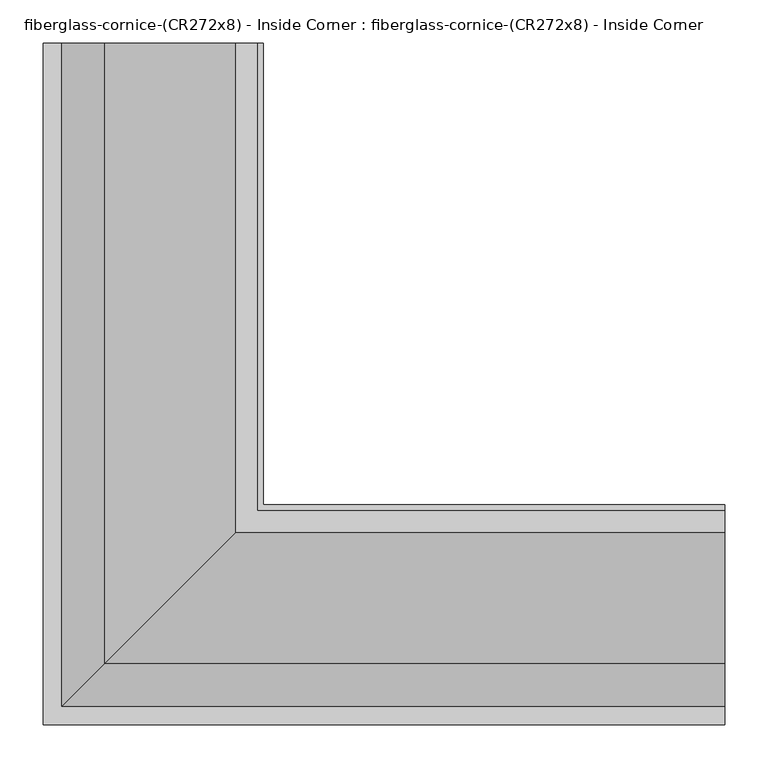
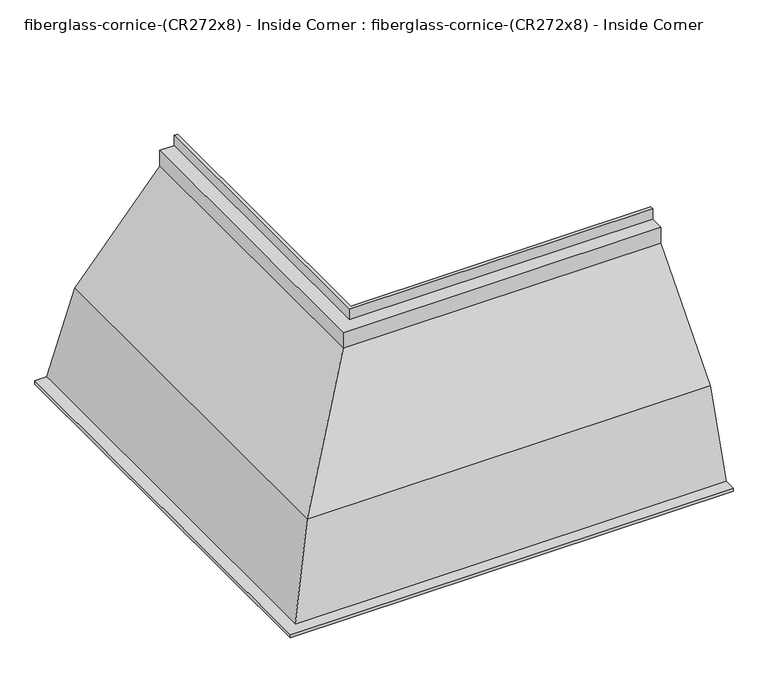
"""IFC4 building model written with IfcOpenShell, lengths in millimetres: furniture geometry, fiberglass-cornice-(CR272x8) - Inside Corner : fiberglass-cornice-(CR272x8) - Inside Corner."""

from ifc_helpers import new_model, si_unit, origin, place, context, project, spatial, faceted_brep, source, transform, mapped, element, save


def fiberglass_cornice_cr272x8_inside_corner_fiberglass_cornice_9e09107a(model_context):
    return source(origin(), model_context, "Body", "Brep", [
        faceted_brep([(-139.6999938, 888.603125, 330.1999904), (-139.6999938, 888.603125, 304.478595), (-165.0999938, 888.603125, 304.478595), (-165.0999938, 888.603125, 279.078595), (-317.4999938, 888.603125, 101.5398783), (-368.2999938, 888.603125, -50.8601217), (-393.6999938, 888.603125, -50.8601217), (-393.6999938, 888.603125, -44.5101217), (-372.8768149, 888.603125, -44.5101217), (-323.1300245, 888.603125, 104.7302496), (-171.4499938, 888.603125, 281.4302364), (-171.4499938, 888.603125, 310.828595), (-146.0499938, 888.603125, 310.828595), (-146.0499938, 888.603125, 330.1999904), (393.6999938, 355.203125, 330.1999904), (393.6999938, 348.853125, 330.1999904), (393.6999938, 348.853125, 310.828595), (393.6999938, 323.453125, 310.828595), (393.6999938, 323.453125, 281.4302364), (393.6999938, 171.7730944, 104.7302496), (393.6999938, 122.026304, -44.5101217), (393.6999938, 101.203125, -44.5101217), (393.6999938, 101.203125, -50.8601217), (393.6999938, 126.603125, -50.8601217), (393.6999938, 177.403125, 101.5398783), (393.6999938, 329.803125, 279.078595), (393.6999938, 329.803125, 304.478595), (393.6999938, 355.203125, 304.478595), (-139.6999938, 355.203125, 330.1999904), (-139.6999938, 355.203125, 304.478595), (-165.0999938, 329.803125, 304.478595), (-165.0999938, 329.803125, 279.078595), (-317.4999938, 177.403125, 101.5398783), (-368.2999938, 126.603125, -50.8601217), (-393.6999938, 101.203125, -50.8601217), (-393.6999938, 101.203125, -44.5101217), (-372.8768149, 122.026304, -44.5101217), (-323.1300245, 171.7730944, 104.7302496), (-171.4499938, 323.453125, 281.4302364), (-171.4499938, 323.453125, 310.828595), (-146.0499938, 348.853125, 310.828595), (-146.0499938, 348.853125, 330.1999904)], [[[0, 1, 2, 3, 4, 5, 6, 7, 8, 9, 10, 11, 12, 13]], [[14, 15, 16, 17, 18, 19, 20, 21, 22, 23, 24, 25, 26, 27]], [[1, 0, 28, 29]], [[2, 1, 29, 27, 26, 30]], [[3, 2, 30, 31]], [[4, 3, 31, 32]], [[5, 4, 32, 33]], [[6, 5, 33, 23, 22, 34]], [[7, 6, 34, 35]], [[8, 7, 35, 21, 20, 36]], [[9, 8, 36, 37]], [[10, 9, 37, 38]], [[11, 10, 38, 39]], [[12, 11, 39, 17, 16, 40]], [[13, 12, 40, 41]], [[0, 13, 41, 15, 14, 28]], [[29, 28, 14, 27]], [[31, 30, 26, 25]], [[32, 31, 25, 24]], [[33, 32, 24, 23]], [[35, 34, 22, 21]], [[37, 36, 20, 19]], [[38, 37, 19, 18]], [[39, 38, 18, 17]], [[41, 40, 16, 15]]]),
    ])


if __name__ == "__main__":
    model = new_model("IFC4")
    model_context = context("Model", 3, world=origin())
    ifc_project = project(units=[si_unit("LENGTHUNIT", "METRE", prefix="MILLI")], contexts=[model_context])
    site = spatial("IfcSite", under=ifc_project)
    building = spatial("IfcBuilding", under=site)
    placement = place(None, origin())
    fiberglass_cornice_cr272x8_inside_corner_fiberglass_cornice_shape = fiberglass_cornice_cr272x8_inside_corner_fiberglass_cornice_9e09107a(model_context)
    element("IfcFurniture", 1, ObjectType="fiberglass-cornice-(CR272x8) - Inside Corner : fiberglass-cornice-(CR272x8) - Inside Corner", at=placement, inside=building, context=model_context, shape_type="MappedRepresentation", body=[
        mapped(fiberglass_cornice_cr272x8_inside_corner_fiberglass_cornice_shape, transform((0.0, 0.0, 0.0), x_axis=(1.0, 0.0, 0.0), y_axis=(0.0, 1.0, 0.0), z_axis=(0.0, 0.0, 1.0))),
    ])
    save(model, "model.ifc")
